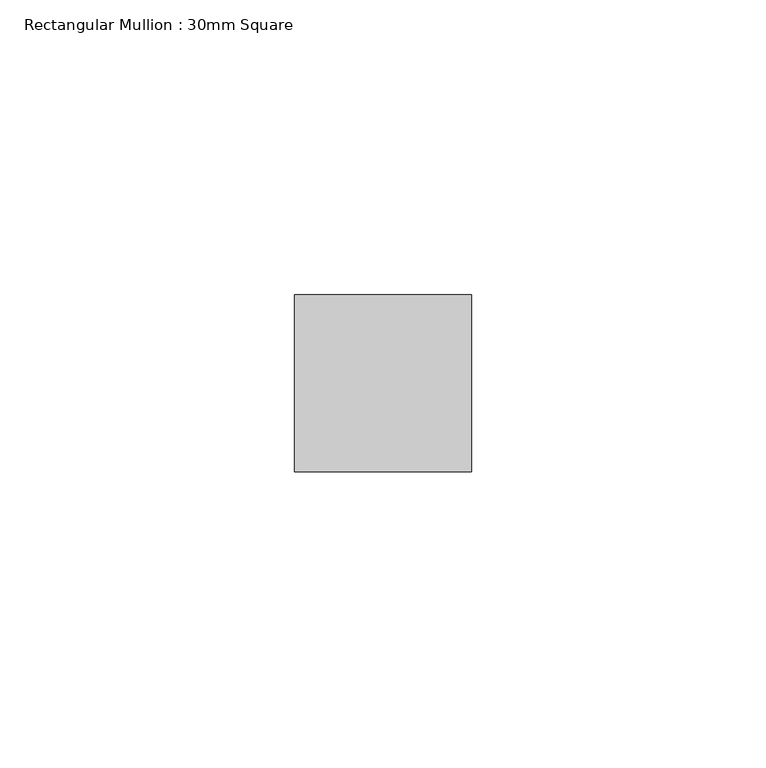
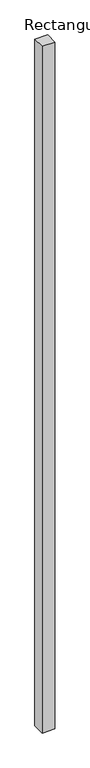
"""IFC4 building model written with IfcOpenShell, lengths in millimetres: member geometry, Rectangular Mullion : 30mm Square."""

from ifc_helpers import new_model, si_unit, frame, origin, place, context, project, spatial, polyline, outline, extrude, source, transform, mapped, element, save


def rectangular_mullion_30mm_square_c92122a4(model_context):
    return source(origin(), model_context, "Body", "SweptSolid", [
        extrude(outline(polyline([(0.0, 15.0), (0.0, -15.0), (-30.0, -15.0), (-30.0, 15.0), (0.0, 15.0)])), frame((0.0, 0.0, -1710.0115453), z_axis=(0.0, 0.0, 1.0), x_axis=(1.0, 0.0, 0.0)), (0.0, 0.0, 1.0), 1710.0115453),
    ])


if __name__ == "__main__":
    model = new_model("IFC4")
    model_context = context("Model", 3, world=origin())
    ifc_project = project(units=[si_unit("LENGTHUNIT", "METRE", prefix="MILLI")], contexts=[model_context])
    site = spatial("IfcSite", under=ifc_project)
    building = spatial("IfcBuilding", under=site)
    placement = place(None, origin())
    rectangular_mullion_30mm_square_shape = rectangular_mullion_30mm_square_c92122a4(model_context)
    element("IfcMember", 1, ObjectType="Rectangular Mullion : 30mm Square", at=placement, inside=building, context=model_context, shape_type="MappedRepresentation", body=[
        mapped(rectangular_mullion_30mm_square_shape, transform((0.0, 0.0, 0.0), x_axis=(1.0, 0.0, 0.0), y_axis=(0.0, 1.0, 0.0), z_axis=(0.0, 0.0, 1.0))),
    ])
    save(model, "model.ifc")
